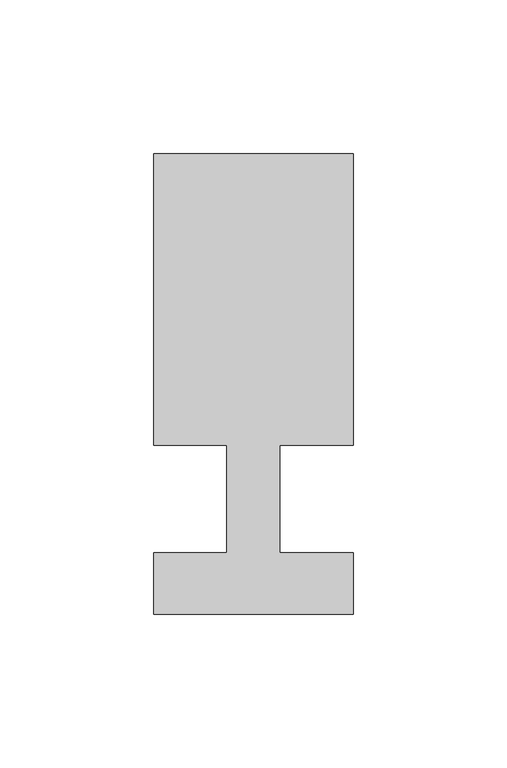
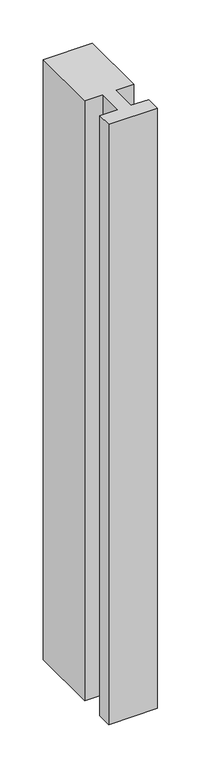
"""IFC4 building model written with IfcOpenShell, lengths in millimetres: member geometry."""

from ifc_helpers import new_model, si_unit, frame, origin, place, context, project, spatial, polyline, outline, extrude, source, transform, mapped, element, save


def member_a09c90cb(model_context):
    return source(origin(), model_context, "Body", "SweptSolid", [
        extrude(outline(polyline([(0.0, -37.0), (-65.0, -37.0), (-65.0, -17.0), (-41.1875, -17.0), (-41.1875, 18.0), (-65.0, 18.0), (-65.0, 113.0), (0.0, 113.0), (0.0, 18.0), (-23.8125, 18.0), (-23.8125, -17.0), (0.0, -17.0), (0.0, -37.0)])), frame((0.0, 0.0, -843.4348165), z_axis=(0.0, 0.0, 1.0), x_axis=(1.0, 0.0, 0.0)), (0.0, 0.0, 1.0), 843.4348165),
    ])


if __name__ == "__main__":
    model = new_model("IFC4")
    model_context = context("Model", 3, world=origin())
    ifc_project = project(units=[si_unit("LENGTHUNIT", "METRE", prefix="MILLI")], contexts=[model_context])
    site = spatial("IfcSite", under=ifc_project)
    building = spatial("IfcBuilding", under=site)
    placement = place(None, origin())
    member_shape = member_a09c90cb(model_context)
    element("IfcMember", 1, at=placement, inside=building, context=model_context, shape_type="MappedRepresentation", body=[
        mapped(member_shape, transform((0.0, 0.0, 0.0), x_axis=(1.0, 0.0, 0.0), y_axis=(0.0, 1.0, 0.0), z_axis=(0.0, 0.0, 1.0))),
    ])
    save(model, "model.ifc")
